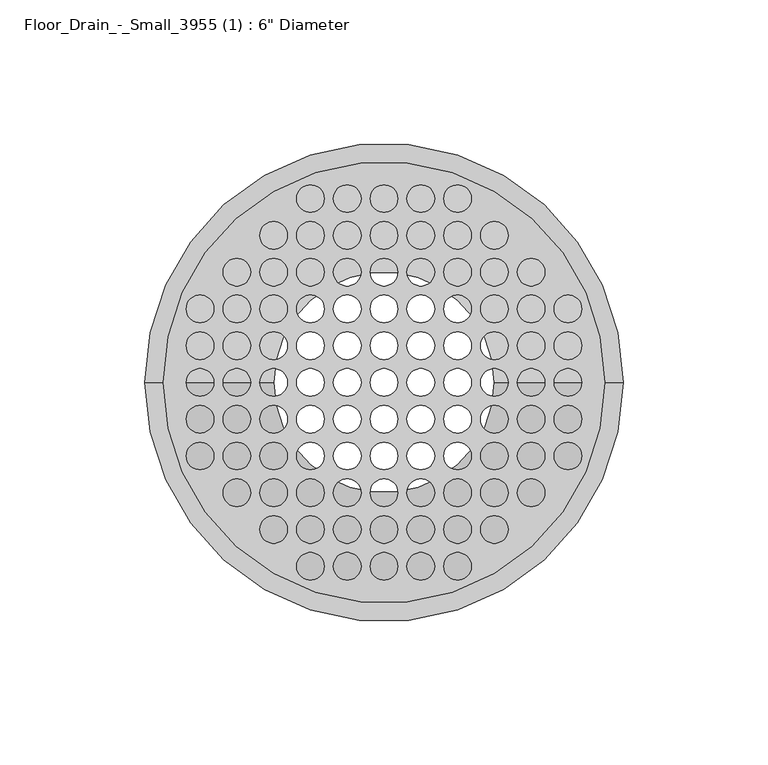
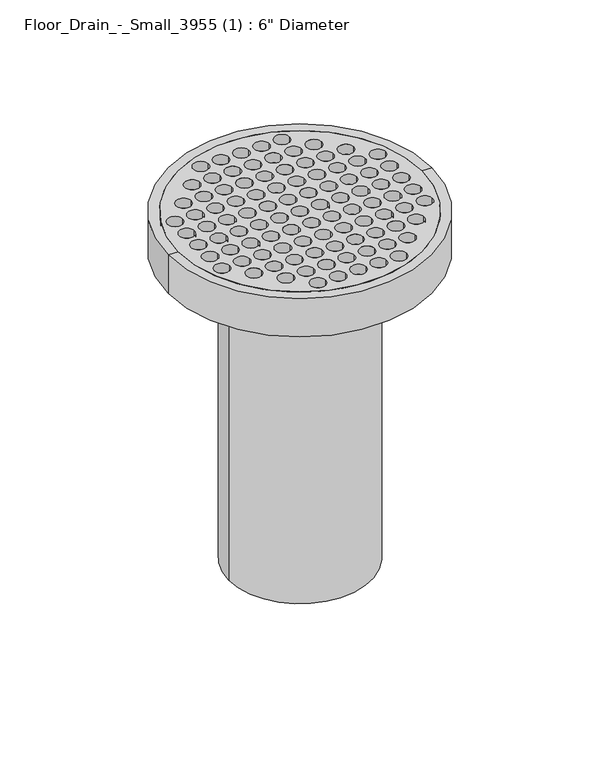
"""IFC4 building model written with IfcOpenShell, lengths in millimetres: flow terminal geometry."""

from ifc_helpers import new_model, si_unit, point, frame, frame_2d, origin, origin_2d, place, context, project, spatial, polyline, circle_curve, trimmed, segment, composite_curve, outline, extrude, source, transform, mapped, element, save
from ifc_brep_helpers import plane_surface, cylinder_surface, revolved_surface, advanced_brep


def flow_terminal_e6e22dbb(model_context):
    return source(origin(), model_context, "Body", "SolidModel", [
        extrude(outline(composite_curve([segment(trimmed(circle_curve(origin_2d(), 76.2), [point((76.2, 0.0))], [point((-76.2, 0.0))], False, "CARTESIAN"), True, "CONTINUOUS"), segment(trimmed(circle_curve(origin_2d(), 76.2), [point((-76.2, 0.0))], [point((76.2, 0.0))], False, "CARTESIAN"), True, "CONTINUOUS")], self_intersect=False), holes=[composite_curve([segment(trimmed(circle_curve(origin_2d(), 4.7625), [point((-4.7625, 0.0))], [point((4.7625, 0.0))], True, "CARTESIAN"), True, "CONTINUOUS"), segment(trimmed(circle_curve(origin_2d(), 4.7625), [point((4.7625, 0.0))], [point((-4.7625, 0.0))], True, "CARTESIAN"), True, "CONTINUOUS")], self_intersect=False), composite_curve([segment(trimmed(circle_curve(frame_2d((-12.7, 0.0)), 4.7625), [point((-17.4625, 0.0))], [point((-7.9375, 0.0))], True, "CARTESIAN"), True, "CONTINUOUS"), segment(trimmed(circle_curve(frame_2d((-12.7, 0.0)), 4.7625), [point((-7.9375, 0.0))], [point((-17.4625, 0.0))], True, "CARTESIAN"), True, "CONTINUOUS")], self_intersect=False), composite_curve([segment(trimmed(circle_curve(frame_2d((-25.4, 0.0)), 4.7625), [point((-30.1625, 0.0))], [point((-20.6375, 0.0))], True, "CARTESIAN"), True, "CONTINUOUS"), segment(trimmed(circle_curve(frame_2d((-25.4, 0.0)), 4.7625), [point((-20.6375, 0.0))], [point((-30.1625, 0.0))], True, "CARTESIAN"), True, "CONTINUOUS")], self_intersect=False), composite_curve([segment(trimmed(circle_curve(frame_2d((-38.1, 0.0)), 4.7625), [point((-42.8625, 0.0))], [point((-33.3375, 0.0))], True, "CARTESIAN"), True, "CONTINUOUS"), segment(trimmed(circle_curve(frame_2d((-38.1, 0.0)), 4.7625), [point((-33.3375, 0.0))], [point((-42.8625, 0.0))], True, "CARTESIAN"), True, "CONTINUOUS")], self_intersect=False), composite_curve([segment(trimmed(circle_curve(frame_2d((0.0, 12.7)), 4.7625), [point((-4.7625, 12.7))], [point((4.7625, 12.7))], True, "CARTESIAN"), True, "CONTINUOUS"), segment(trimmed(circle_curve(frame_2d((0.0, 12.7)), 4.7625), [point((4.7625, 12.7))], [point((-4.7625, 12.7))], True, "CARTESIAN"), True, "CONTINUOUS")], self_intersect=False), composite_curve([segment(trimmed(circle_curve(frame_2d((0.0, 25.4)), 4.7625), [point((-4.7625, 25.4))], [point((4.7625, 25.4))], True, "CARTESIAN"), True, "CONTINUOUS"), segment(trimmed(circle_curve(frame_2d((0.0, 25.4)), 4.7625), [point((4.7625, 25.4))], [point((-4.7625, 25.4))], True, "CARTESIAN"), True, "CONTINUOUS")], self_intersect=False), composite_curve([segment(trimmed(circle_curve(frame_2d((0.0, 38.1)), 4.7625), [point((-4.7625, 38.1))], [point((4.7625, 38.1))], True, "CARTESIAN"), True, "CONTINUOUS"), segment(trimmed(circle_curve(frame_2d((0.0, 38.1)), 4.7625), [point((4.7625, 38.1))], [point((-4.7625, 38.1))], True, "CARTESIAN"), True, "CONTINUOUS")], self_intersect=False), composite_curve([segment(trimmed(circle_curve(frame_2d((12.7, 0.0)), 4.7625), [point((7.9375, 0.0))], [point((17.4625, 0.0))], True, "CARTESIAN"), True, "CONTINUOUS"), segment(trimmed(circle_curve(frame_2d((12.7, 0.0)), 4.7625), [point((17.4625, 0.0))], [point((7.9375, 0.0))], True, "CARTESIAN"), True, "CONTINUOUS")], self_intersect=False), composite_curve([segment(trimmed(circle_curve(frame_2d((25.4, 0.0)), 4.7625), [point((20.6375, 0.0))], [point((30.1625, 0.0))], True, "CARTESIAN"), True, "CONTINUOUS"), segment(trimmed(circle_curve(frame_2d((25.4, 0.0)), 4.7625), [point((30.1625, 0.0))], [point((20.6375, 0.0))], True, "CARTESIAN"), True, "CONTINUOUS")], self_intersect=False), composite_curve([segment(trimmed(circle_curve(frame_2d((38.1, 0.0)), 4.7625), [point((33.3375, 0.0))], [point((42.8625, 0.0))], True, "CARTESIAN"), True, "CONTINUOUS"), segment(trimmed(circle_curve(frame_2d((38.1, 0.0)), 4.7625), [point((42.8625, 0.0))], [point((33.3375, 0.0))], True, "CARTESIAN"), True, "CONTINUOUS")], self_intersect=False), composite_curve([segment(trimmed(circle_curve(frame_2d((0.0, -12.7)), 4.7625), [point((-4.7625, -12.7))], [point((4.7625, -12.7))], True, "CARTESIAN"), True, "CONTINUOUS"), segment(trimmed(circle_curve(frame_2d((0.0, -12.7)), 4.7625), [point((4.7625, -12.7))], [point((-4.7625, -12.7))], True, "CARTESIAN"), True, "CONTINUOUS")], self_intersect=False), composite_curve([segment(trimmed(circle_curve(frame_2d((0.0, -25.4)), 4.7625), [point((-4.7625, -25.4))], [point((4.7625, -25.4))], True, "CARTESIAN"), True, "CONTINUOUS"), segment(trimmed(circle_curve(frame_2d((0.0, -25.4)), 4.7625), [point((4.7625, -25.4))], [point((-4.7625, -25.4))], True, "CARTESIAN"), True, "CONTINUOUS")], self_intersect=False), composite_curve([segment(trimmed(circle_curve(frame_2d((0.0, -38.1)), 4.7625), [point((-4.7625, -38.1))], [point((4.7625, -38.1))], True, "CARTESIAN"), True, "CONTINUOUS"), segment(trimmed(circle_curve(frame_2d((0.0, -38.1)), 4.7625), [point((4.7625, -38.1))], [point((-4.7625, -38.1))], True, "CARTESIAN"), True, "CONTINUOUS")], self_intersect=False), composite_curve([segment(trimmed(circle_curve(frame_2d((12.7, -12.7)), 4.7625), [point((7.9375, -12.7))], [point((17.4625, -12.7))], True, "CARTESIAN"), True, "CONTINUOUS"), segment(trimmed(circle_curve(frame_2d((12.7, -12.7)), 4.7625), [point((17.4625, -12.7))], [point((7.9375, -12.7))], True, "CARTESIAN"), True, "CONTINUOUS")], self_intersect=False), composite_curve([segment(trimmed(circle_curve(frame_2d((12.7, -25.4)), 4.7625), [point((7.9375, -25.4))], [point((17.4625, -25.4))], True, "CARTESIAN"), True, "CONTINUOUS"), segment(trimmed(circle_curve(frame_2d((12.7, -25.4)), 4.7625), [point((17.4625, -25.4))], [point((7.9375, -25.4))], True, "CARTESIAN"), True, "CONTINUOUS")], self_intersect=False), composite_curve([segment(trimmed(circle_curve(frame_2d((25.4, -12.7)), 4.7625), [point((20.6375, -12.7))], [point((30.1625, -12.7))], True, "CARTESIAN"), True, "CONTINUOUS"), segment(trimmed(circle_curve(frame_2d((25.4, -12.7)), 4.7625), [point((30.1625, -12.7))], [point((20.6375, -12.7))], True, "CARTESIAN"), True, "CONTINUOUS")], self_intersect=False), composite_curve([segment(trimmed(circle_curve(frame_2d((25.4, -25.4)), 4.7625), [point((20.6375, -25.4))], [point((30.1625, -25.4))], True, "CARTESIAN"), True, "CONTINUOUS"), segment(trimmed(circle_curve(frame_2d((25.4, -25.4)), 4.7625), [point((30.1625, -25.4))], [point((20.6375, -25.4))], True, "CARTESIAN"), True, "CONTINUOUS")], self_intersect=False), composite_curve([segment(trimmed(circle_curve(frame_2d((38.1, -12.7)), 4.7625), [point((33.3375, -12.7))], [point((42.8625, -12.7))], True, "CARTESIAN"), True, "CONTINUOUS"), segment(trimmed(circle_curve(frame_2d((38.1, -12.7)), 4.7625), [point((42.8625, -12.7))], [point((33.3375, -12.7))], True, "CARTESIAN"), True, "CONTINUOUS")], self_intersect=False), composite_curve([segment(trimmed(circle_curve(frame_2d((12.7, -38.1)), 4.7625), [point((7.9375, -38.1))], [point((17.4625, -38.1))], True, "CARTESIAN"), True, "CONTINUOUS"), segment(trimmed(circle_curve(frame_2d((12.7, -38.1)), 4.7625), [point((17.4625, -38.1))], [point((7.9375, -38.1))], True, "CARTESIAN"), True, "CONTINUOUS")], self_intersect=False), composite_curve([segment(trimmed(circle_curve(frame_2d((25.4, 12.7)), 4.7625), [point((20.6375, 12.7))], [point((30.1625, 12.7))], True, "CARTESIAN"), True, "CONTINUOUS"), segment(trimmed(circle_curve(frame_2d((25.4, 12.7)), 4.7625), [point((30.1625, 12.7))], [point((20.6375, 12.7))], True, "CARTESIAN"), True, "CONTINUOUS")], self_intersect=False), composite_curve([segment(trimmed(circle_curve(frame_2d((12.7, 12.7)), 4.7625), [point((7.9375, 12.7))], [point((17.4625, 12.7))], True, "CARTESIAN"), True, "CONTINUOUS"), segment(trimmed(circle_curve(frame_2d((12.7, 12.7)), 4.7625), [point((17.4625, 12.7))], [point((7.9375, 12.7))], True, "CARTESIAN"), True, "CONTINUOUS")], self_intersect=False), composite_curve([segment(trimmed(circle_curve(frame_2d((12.7, 25.4)), 4.7625), [point((7.9375, 25.4))], [point((17.4625, 25.4))], True, "CARTESIAN"), True, "CONTINUOUS"), segment(trimmed(circle_curve(frame_2d((12.7, 25.4)), 4.7625), [point((17.4625, 25.4))], [point((7.9375, 25.4))], True, "CARTESIAN"), True, "CONTINUOUS")], self_intersect=False), composite_curve([segment(trimmed(circle_curve(frame_2d((12.7, 38.1)), 4.7625), [point((7.9375, 38.1))], [point((17.4625, 38.1))], True, "CARTESIAN"), True, "CONTINUOUS"), segment(trimmed(circle_curve(frame_2d((12.7, 38.1)), 4.7625), [point((17.4625, 38.1))], [point((7.9375, 38.1))], True, "CARTESIAN"), True, "CONTINUOUS")], self_intersect=False), composite_curve([segment(trimmed(circle_curve(frame_2d((25.4, 25.4)), 4.7625), [point((20.6375, 25.4))], [point((30.1625, 25.4))], True, "CARTESIAN"), True, "CONTINUOUS"), segment(trimmed(circle_curve(frame_2d((25.4, 25.4)), 4.7625), [point((30.1625, 25.4))], [point((20.6375, 25.4))], True, "CARTESIAN"), True, "CONTINUOUS")], self_intersect=False), composite_curve([segment(trimmed(circle_curve(frame_2d((38.1, 12.7)), 4.7625), [point((33.3375, 12.7))], [point((42.8625, 12.7))], True, "CARTESIAN"), True, "CONTINUOUS"), segment(trimmed(circle_curve(frame_2d((38.1, 12.7)), 4.7625), [point((42.8625, 12.7))], [point((33.3375, 12.7))], True, "CARTESIAN"), True, "CONTINUOUS")], self_intersect=False), composite_curve([segment(trimmed(circle_curve(frame_2d((-12.7, 38.1)), 4.7625), [point((-17.4625, 38.1))], [point((-7.9375, 38.1))], True, "CARTESIAN"), True, "CONTINUOUS"), segment(trimmed(circle_curve(frame_2d((-12.7, 38.1)), 4.7625), [point((-7.9375, 38.1))], [point((-17.4625, 38.1))], True, "CARTESIAN"), True, "CONTINUOUS")], self_intersect=False), composite_curve([segment(trimmed(circle_curve(frame_2d((-12.7, 25.4)), 4.7625), [point((-17.4625, 25.4))], [point((-7.9375, 25.4))], True, "CARTESIAN"), True, "CONTINUOUS"), segment(trimmed(circle_curve(frame_2d((-12.7, 25.4)), 4.7625), [point((-7.9375, 25.4))], [point((-17.4625, 25.4))], True, "CARTESIAN"), True, "CONTINUOUS")], self_intersect=False), composite_curve([segment(trimmed(circle_curve(frame_2d((-12.7, 12.7)), 4.7625), [point((-17.4625, 12.7))], [point((-7.9375, 12.7))], True, "CARTESIAN"), True, "CONTINUOUS"), segment(trimmed(circle_curve(frame_2d((-12.7, 12.7)), 4.7625), [point((-7.9375, 12.7))], [point((-17.4625, 12.7))], True, "CARTESIAN"), True, "CONTINUOUS")], self_intersect=False), composite_curve([segment(trimmed(circle_curve(frame_2d((-25.4, 12.7)), 4.7625), [point((-30.1625, 12.7))], [point((-20.6375, 12.7))], True, "CARTESIAN"), True, "CONTINUOUS"), segment(trimmed(circle_curve(frame_2d((-25.4, 12.7)), 4.7625), [point((-20.6375, 12.7))], [point((-30.1625, 12.7))], True, "CARTESIAN"), True, "CONTINUOUS")], self_intersect=False), composite_curve([segment(trimmed(circle_curve(frame_2d((-25.4, 25.4)), 4.7625), [point((-30.1625, 25.4))], [point((-20.6375, 25.4))], True, "CARTESIAN"), True, "CONTINUOUS"), segment(trimmed(circle_curve(frame_2d((-25.4, 25.4)), 4.7625), [point((-20.6375, 25.4))], [point((-30.1625, 25.4))], True, "CARTESIAN"), True, "CONTINUOUS")], self_intersect=False), composite_curve([segment(trimmed(circle_curve(frame_2d((-38.1, 12.7)), 4.7625), [point((-42.8625, 12.7))], [point((-33.3375, 12.7))], True, "CARTESIAN"), True, "CONTINUOUS"), segment(trimmed(circle_curve(frame_2d((-38.1, 12.7)), 4.7625), [point((-33.3375, 12.7))], [point((-42.8625, 12.7))], True, "CARTESIAN"), True, "CONTINUOUS")], self_intersect=False), composite_curve([segment(trimmed(circle_curve(frame_2d((-25.4, -12.7)), 4.7625), [point((-30.1625, -12.7))], [point((-20.6375, -12.7))], True, "CARTESIAN"), True, "CONTINUOUS"), segment(trimmed(circle_curve(frame_2d((-25.4, -12.7)), 4.7625), [point((-20.6375, -12.7))], [point((-30.1625, -12.7))], True, "CARTESIAN"), True, "CONTINUOUS")], self_intersect=False), composite_curve([segment(trimmed(circle_curve(frame_2d((-12.7, -12.7)), 4.7625), [point((-17.4625, -12.7))], [point((-7.9375, -12.7))], True, "CARTESIAN"), True, "CONTINUOUS"), segment(trimmed(circle_curve(frame_2d((-12.7, -12.7)), 4.7625), [point((-7.9375, -12.7))], [point((-17.4625, -12.7))], True, "CARTESIAN"), True, "CONTINUOUS")], self_intersect=False), composite_curve([segment(trimmed(circle_curve(frame_2d((-12.7, -25.4)), 4.7625), [point((-17.4625, -25.4))], [point((-7.9375, -25.4))], True, "CARTESIAN"), True, "CONTINUOUS"), segment(trimmed(circle_curve(frame_2d((-12.7, -25.4)), 4.7625), [point((-7.9375, -25.4))], [point((-17.4625, -25.4))], True, "CARTESIAN"), True, "CONTINUOUS")], self_intersect=False), composite_curve([segment(trimmed(circle_curve(frame_2d((-12.7, -38.1)), 4.7625), [point((-17.4625, -38.1))], [point((-7.9375, -38.1))], True, "CARTESIAN"), True, "CONTINUOUS"), segment(trimmed(circle_curve(frame_2d((-12.7, -38.1)), 4.7625), [point((-7.9375, -38.1))], [point((-17.4625, -38.1))], True, "CARTESIAN"), True, "CONTINUOUS")], self_intersect=False), composite_curve([segment(trimmed(circle_curve(frame_2d((-25.4, -25.4)), 4.7625), [point((-30.1625, -25.4))], [point((-20.6375, -25.4))], True, "CARTESIAN"), True, "CONTINUOUS"), segment(trimmed(circle_curve(frame_2d((-25.4, -25.4)), 4.7625), [point((-20.6375, -25.4))], [point((-30.1625, -25.4))], True, "CARTESIAN"), True, "CONTINUOUS")], self_intersect=False), composite_curve([segment(trimmed(circle_curve(frame_2d((-38.1, -12.7)), 4.7625), [point((-42.8625, -12.7))], [point((-33.3375, -12.7))], True, "CARTESIAN"), True, "CONTINUOUS"), segment(trimmed(circle_curve(frame_2d((-38.1, -12.7)), 4.7625), [point((-33.3375, -12.7))], [point((-42.8625, -12.7))], True, "CARTESIAN"), True, "CONTINUOUS")], self_intersect=False), composite_curve([segment(trimmed(circle_curve(frame_2d((-25.4, 38.1)), 4.7625), [point((-30.1625, 38.1))], [point((-20.6375, 38.1))], True, "CARTESIAN"), True, "CONTINUOUS"), segment(trimmed(circle_curve(frame_2d((-25.4, 38.1)), 4.7625), [point((-20.6375, 38.1))], [point((-30.1625, 38.1))], True, "CARTESIAN"), True, "CONTINUOUS")], self_intersect=False), composite_curve([segment(trimmed(circle_curve(frame_2d((-38.1, 38.1)), 4.7625), [point((-42.8625, 38.1))], [point((-33.3375, 38.1))], True, "CARTESIAN"), True, "CONTINUOUS"), segment(trimmed(circle_curve(frame_2d((-38.1, 38.1)), 4.7625), [point((-33.3375, 38.1))], [point((-42.8625, 38.1))], True, "CARTESIAN"), True, "CONTINUOUS")], self_intersect=False), composite_curve([segment(trimmed(circle_curve(frame_2d((-50.8, 38.1)), 4.7625), [point((-55.5625, 38.1))], [point((-46.0375, 38.1))], True, "CARTESIAN"), True, "CONTINUOUS"), segment(trimmed(circle_curve(frame_2d((-50.8, 38.1)), 4.7625), [point((-46.0375, 38.1))], [point((-55.5625, 38.1))], True, "CARTESIAN"), True, "CONTINUOUS")], self_intersect=False), composite_curve([segment(trimmed(circle_curve(frame_2d((25.4, 38.1)), 4.7625), [point((20.6375, 38.1))], [point((30.1625, 38.1))], True, "CARTESIAN"), True, "CONTINUOUS"), segment(trimmed(circle_curve(frame_2d((25.4, 38.1)), 4.7625), [point((30.1625, 38.1))], [point((20.6375, 38.1))], True, "CARTESIAN"), True, "CONTINUOUS")], self_intersect=False), composite_curve([segment(trimmed(circle_curve(frame_2d((38.1, 38.1)), 4.7625), [point((33.3375, 38.1))], [point((42.8625, 38.1))], True, "CARTESIAN"), True, "CONTINUOUS"), segment(trimmed(circle_curve(frame_2d((38.1, 38.1)), 4.7625), [point((42.8625, 38.1))], [point((33.3375, 38.1))], True, "CARTESIAN"), True, "CONTINUOUS")], self_intersect=False), composite_curve([segment(trimmed(circle_curve(frame_2d((50.8, 38.1)), 4.7625), [point((46.0375, 38.1))], [point((55.5625, 38.1))], True, "CARTESIAN"), True, "CONTINUOUS"), segment(trimmed(circle_curve(frame_2d((50.8, 38.1)), 4.7625), [point((55.5625, 38.1))], [point((46.0375, 38.1))], True, "CARTESIAN"), True, "CONTINUOUS")], self_intersect=False), composite_curve([segment(trimmed(circle_curve(frame_2d((-38.1, 25.4)), 4.7625), [point((-42.8625, 25.4))], [point((-33.3375, 25.4))], True, "CARTESIAN"), True, "CONTINUOUS"), segment(trimmed(circle_curve(frame_2d((-38.1, 25.4)), 4.7625), [point((-33.3375, 25.4))], [point((-42.8625, 25.4))], True, "CARTESIAN"), True, "CONTINUOUS")], self_intersect=False), composite_curve([segment(trimmed(circle_curve(frame_2d((-50.8, 25.4)), 4.7625), [point((-55.5625, 25.4))], [point((-46.0375, 25.4))], True, "CARTESIAN"), True, "CONTINUOUS"), segment(trimmed(circle_curve(frame_2d((-50.8, 25.4)), 4.7625), [point((-46.0375, 25.4))], [point((-55.5625, 25.4))], True, "CARTESIAN"), True, "CONTINUOUS")], self_intersect=False), composite_curve([segment(trimmed(circle_curve(frame_2d((-63.5, 25.4)), 4.7625), [point((-68.2625, 25.4))], [point((-58.7375, 25.4))], True, "CARTESIAN"), True, "CONTINUOUS"), segment(trimmed(circle_curve(frame_2d((-63.5, 25.4)), 4.7625), [point((-58.7375, 25.4))], [point((-68.2625, 25.4))], True, "CARTESIAN"), True, "CONTINUOUS")], self_intersect=False), composite_curve([segment(trimmed(circle_curve(frame_2d((-50.8, 12.7)), 4.7625), [point((-55.5625, 12.7))], [point((-46.0375, 12.7))], True, "CARTESIAN"), True, "CONTINUOUS"), segment(trimmed(circle_curve(frame_2d((-50.8, 12.7)), 4.7625), [point((-46.0375, 12.7))], [point((-55.5625, 12.7))], True, "CARTESIAN"), True, "CONTINUOUS")], self_intersect=False), composite_curve([segment(trimmed(circle_curve(frame_2d((-63.5, 12.7)), 4.7625), [point((-68.2625, 12.7))], [point((-58.7375, 12.7))], True, "CARTESIAN"), True, "CONTINUOUS"), segment(trimmed(circle_curve(frame_2d((-63.5, 12.7)), 4.7625), [point((-58.7375, 12.7))], [point((-68.2625, 12.7))], True, "CARTESIAN"), True, "CONTINUOUS")], self_intersect=False), composite_curve([segment(trimmed(circle_curve(frame_2d((-50.8, 0.0)), 4.7625), [point((-55.5625, 0.0))], [point((-46.0375, 0.0))], True, "CARTESIAN"), True, "CONTINUOUS"), segment(trimmed(circle_curve(frame_2d((-50.8, 0.0)), 4.7625), [point((-46.0375, 0.0))], [point((-55.5625, 0.0))], True, "CARTESIAN"), True, "CONTINUOUS")], self_intersect=False), composite_curve([segment(trimmed(circle_curve(frame_2d((-63.5, 0.0)), 4.7625), [point((-68.2625, 0.0))], [point((-58.7375, 0.0))], True, "CARTESIAN"), True, "CONTINUOUS"), segment(trimmed(circle_curve(frame_2d((-63.5, 0.0)), 4.7625), [point((-58.7375, 0.0))], [point((-68.2625, 0.0))], True, "CARTESIAN"), True, "CONTINUOUS")], self_intersect=False), composite_curve([segment(trimmed(circle_curve(frame_2d((-63.5, -12.7)), 4.7625), [point((-68.2625, -12.7))], [point((-58.7375, -12.7))], True, "CARTESIAN"), True, "CONTINUOUS"), segment(trimmed(circle_curve(frame_2d((-63.5, -12.7)), 4.7625), [point((-58.7375, -12.7))], [point((-68.2625, -12.7))], True, "CARTESIAN"), True, "CONTINUOUS")], self_intersect=False), composite_curve([segment(trimmed(circle_curve(frame_2d((-50.8, -12.7)), 4.7625), [point((-55.5625, -12.7))], [point((-46.0375, -12.7))], True, "CARTESIAN"), True, "CONTINUOUS"), segment(trimmed(circle_curve(frame_2d((-50.8, -12.7)), 4.7625), [point((-46.0375, -12.7))], [point((-55.5625, -12.7))], True, "CARTESIAN"), True, "CONTINUOUS")], self_intersect=False), composite_curve([segment(trimmed(circle_curve(frame_2d((-63.5, -25.4)), 4.7625), [point((-68.2625, -25.4))], [point((-58.7375, -25.4))], True, "CARTESIAN"), True, "CONTINUOUS"), segment(trimmed(circle_curve(frame_2d((-63.5, -25.4)), 4.7625), [point((-58.7375, -25.4))], [point((-68.2625, -25.4))], True, "CARTESIAN"), True, "CONTINUOUS")], self_intersect=False), composite_curve([segment(trimmed(circle_curve(frame_2d((-50.8, -25.4)), 4.7625), [point((-55.5625, -25.4))], [point((-46.0375, -25.4))], True, "CARTESIAN"), True, "CONTINUOUS"), segment(trimmed(circle_curve(frame_2d((-50.8, -25.4)), 4.7625), [point((-46.0375, -25.4))], [point((-55.5625, -25.4))], True, "CARTESIAN"), True, "CONTINUOUS")], self_intersect=False), composite_curve([segment(trimmed(circle_curve(frame_2d((-38.1, -25.4)), 4.7625), [point((-42.8625, -25.4))], [point((-33.3375, -25.4))], True, "CARTESIAN"), True, "CONTINUOUS"), segment(trimmed(circle_curve(frame_2d((-38.1, -25.4)), 4.7625), [point((-33.3375, -25.4))], [point((-42.8625, -25.4))], True, "CARTESIAN"), True, "CONTINUOUS")], self_intersect=False), composite_curve([segment(trimmed(circle_curve(frame_2d((-50.8, -38.1)), 4.7625), [point((-55.5625, -38.1))], [point((-46.0375, -38.1))], True, "CARTESIAN"), True, "CONTINUOUS"), segment(trimmed(circle_curve(frame_2d((-50.8, -38.1)), 4.7625), [point((-46.0375, -38.1))], [point((-55.5625, -38.1))], True, "CARTESIAN"), True, "CONTINUOUS")], self_intersect=False), composite_curve([segment(trimmed(circle_curve(frame_2d((-38.1, -38.1)), 4.7625), [point((-42.8625, -38.1))], [point((-33.3375, -38.1))], True, "CARTESIAN"), True, "CONTINUOUS"), segment(trimmed(circle_curve(frame_2d((-38.1, -38.1)), 4.7625), [point((-33.3375, -38.1))], [point((-42.8625, -38.1))], True, "CARTESIAN"), True, "CONTINUOUS")], self_intersect=False), composite_curve([segment(trimmed(circle_curve(frame_2d((-25.4, -38.1)), 4.7625), [point((-30.1625, -38.1))], [point((-20.6375, -38.1))], True, "CARTESIAN"), True, "CONTINUOUS"), segment(trimmed(circle_curve(frame_2d((-25.4, -38.1)), 4.7625), [point((-20.6375, -38.1))], [point((-30.1625, -38.1))], True, "CARTESIAN"), True, "CONTINUOUS")], self_intersect=False), composite_curve([segment(trimmed(circle_curve(frame_2d((-25.4, -50.8)), 4.7625), [point((-30.1625, -50.8))], [point((-20.6375, -50.8))], True, "CARTESIAN"), True, "CONTINUOUS"), segment(trimmed(circle_curve(frame_2d((-25.4, -50.8)), 4.7625), [point((-20.6375, -50.8))], [point((-30.1625, -50.8))], True, "CARTESIAN"), True, "CONTINUOUS")], self_intersect=False), composite_curve([segment(trimmed(circle_curve(frame_2d((-38.1, -50.8)), 4.7625), [point((-42.8625, -50.8))], [point((-33.3375, -50.8))], True, "CARTESIAN"), True, "CONTINUOUS"), segment(trimmed(circle_curve(frame_2d((-38.1, -50.8)), 4.7625), [point((-33.3375, -50.8))], [point((-42.8625, -50.8))], True, "CARTESIAN"), True, "CONTINUOUS")], self_intersect=False), composite_curve([segment(trimmed(circle_curve(frame_2d((-25.4, -63.5)), 4.7625), [point((-30.1625, -63.5))], [point((-20.6375, -63.5))], True, "CARTESIAN"), True, "CONTINUOUS"), segment(trimmed(circle_curve(frame_2d((-25.4, -63.5)), 4.7625), [point((-20.6375, -63.5))], [point((-30.1625, -63.5))], True, "CARTESIAN"), True, "CONTINUOUS")], self_intersect=False), composite_curve([segment(trimmed(circle_curve(frame_2d((-12.7, -63.5)), 4.7625), [point((-17.4625, -63.5))], [point((-7.9375, -63.5))], True, "CARTESIAN"), True, "CONTINUOUS"), segment(trimmed(circle_curve(frame_2d((-12.7, -63.5)), 4.7625), [point((-7.9375, -63.5))], [point((-17.4625, -63.5))], True, "CARTESIAN"), True, "CONTINUOUS")], self_intersect=False), composite_curve([segment(trimmed(circle_curve(frame_2d((0.0, -63.5)), 4.7625), [point((-4.7625, -63.5))], [point((4.7625, -63.5))], True, "CARTESIAN"), True, "CONTINUOUS"), segment(trimmed(circle_curve(frame_2d((0.0, -63.5)), 4.7625), [point((4.7625, -63.5))], [point((-4.7625, -63.5))], True, "CARTESIAN"), True, "CONTINUOUS")], self_intersect=False), composite_curve([segment(trimmed(circle_curve(frame_2d((12.7, -63.5)), 4.7625), [point((7.9375, -63.5))], [point((17.4625, -63.5))], True, "CARTESIAN"), True, "CONTINUOUS"), segment(trimmed(circle_curve(frame_2d((12.7, -63.5)), 4.7625), [point((17.4625, -63.5))], [point((7.9375, -63.5))], True, "CARTESIAN"), True, "CONTINUOUS")], self_intersect=False), composite_curve([segment(trimmed(circle_curve(frame_2d((25.4, -63.5)), 4.7625), [point((20.6375, -63.5))], [point((30.1625, -63.5))], True, "CARTESIAN"), True, "CONTINUOUS"), segment(trimmed(circle_curve(frame_2d((25.4, -63.5)), 4.7625), [point((30.1625, -63.5))], [point((20.6375, -63.5))], True, "CARTESIAN"), True, "CONTINUOUS")], self_intersect=False), composite_curve([segment(trimmed(circle_curve(frame_2d((25.4, -50.8)), 4.7625), [point((20.6375, -50.8))], [point((30.1625, -50.8))], True, "CARTESIAN"), True, "CONTINUOUS"), segment(trimmed(circle_curve(frame_2d((25.4, -50.8)), 4.7625), [point((30.1625, -50.8))], [point((20.6375, -50.8))], True, "CARTESIAN"), True, "CONTINUOUS")], self_intersect=False), composite_curve([segment(trimmed(circle_curve(frame_2d((12.7, -50.8)), 4.7625), [point((7.9375, -50.8))], [point((17.4625, -50.8))], True, "CARTESIAN"), True, "CONTINUOUS"), segment(trimmed(circle_curve(frame_2d((12.7, -50.8)), 4.7625), [point((17.4625, -50.8))], [point((7.9375, -50.8))], True, "CARTESIAN"), True, "CONTINUOUS")], self_intersect=False), composite_curve([segment(trimmed(circle_curve(frame_2d((0.0, -50.8)), 4.7625), [point((-4.7625, -50.8))], [point((4.7625, -50.8))], True, "CARTESIAN"), True, "CONTINUOUS"), segment(trimmed(circle_curve(frame_2d((0.0, -50.8)), 4.7625), [point((4.7625, -50.8))], [point((-4.7625, -50.8))], True, "CARTESIAN"), True, "CONTINUOUS")], self_intersect=False), composite_curve([segment(trimmed(circle_curve(frame_2d((-12.7, -50.8)), 4.7625), [point((-17.4625, -50.8))], [point((-7.9375, -50.8))], True, "CARTESIAN"), True, "CONTINUOUS"), segment(trimmed(circle_curve(frame_2d((-12.7, -50.8)), 4.7625), [point((-7.9375, -50.8))], [point((-17.4625, -50.8))], True, "CARTESIAN"), True, "CONTINUOUS")], self_intersect=False), composite_curve([segment(trimmed(circle_curve(frame_2d((38.1, -50.8)), 4.7625), [point((33.3375, -50.8))], [point((42.8625, -50.8))], True, "CARTESIAN"), True, "CONTINUOUS"), segment(trimmed(circle_curve(frame_2d((38.1, -50.8)), 4.7625), [point((42.8625, -50.8))], [point((33.3375, -50.8))], True, "CARTESIAN"), True, "CONTINUOUS")], self_intersect=False), composite_curve([segment(trimmed(circle_curve(frame_2d((25.4, -38.1)), 4.7625), [point((20.6375, -38.1))], [point((30.1625, -38.1))], True, "CARTESIAN"), True, "CONTINUOUS"), segment(trimmed(circle_curve(frame_2d((25.4, -38.1)), 4.7625), [point((30.1625, -38.1))], [point((20.6375, -38.1))], True, "CARTESIAN"), True, "CONTINUOUS")], self_intersect=False), composite_curve([segment(trimmed(circle_curve(frame_2d((38.1, -38.1)), 4.7625), [point((33.3375, -38.1))], [point((42.8625, -38.1))], True, "CARTESIAN"), True, "CONTINUOUS"), segment(trimmed(circle_curve(frame_2d((38.1, -38.1)), 4.7625), [point((42.8625, -38.1))], [point((33.3375, -38.1))], True, "CARTESIAN"), True, "CONTINUOUS")], self_intersect=False), composite_curve([segment(trimmed(circle_curve(frame_2d((50.8, -38.1)), 4.7625), [point((46.0375, -38.1))], [point((55.5625, -38.1))], True, "CARTESIAN"), True, "CONTINUOUS"), segment(trimmed(circle_curve(frame_2d((50.8, -38.1)), 4.7625), [point((55.5625, -38.1))], [point((46.0375, -38.1))], True, "CARTESIAN"), True, "CONTINUOUS")], self_intersect=False), composite_curve([segment(trimmed(circle_curve(frame_2d((50.8, -25.4)), 4.7625), [point((46.0375, -25.4))], [point((55.5625, -25.4))], True, "CARTESIAN"), True, "CONTINUOUS"), segment(trimmed(circle_curve(frame_2d((50.8, -25.4)), 4.7625), [point((55.5625, -25.4))], [point((46.0375, -25.4))], True, "CARTESIAN"), True, "CONTINUOUS")], self_intersect=False), composite_curve([segment(trimmed(circle_curve(frame_2d((38.1, -25.4)), 4.7625), [point((33.3375, -25.4))], [point((42.8625, -25.4))], True, "CARTESIAN"), True, "CONTINUOUS"), segment(trimmed(circle_curve(frame_2d((38.1, -25.4)), 4.7625), [point((42.8625, -25.4))], [point((33.3375, -25.4))], True, "CARTESIAN"), True, "CONTINUOUS")], self_intersect=False), composite_curve([segment(trimmed(circle_curve(frame_2d((63.5, -25.4)), 4.7625), [point((58.7375, -25.4))], [point((68.2625, -25.4))], True, "CARTESIAN"), True, "CONTINUOUS"), segment(trimmed(circle_curve(frame_2d((63.5, -25.4)), 4.7625), [point((68.2625, -25.4))], [point((58.7375, -25.4))], True, "CARTESIAN"), True, "CONTINUOUS")], self_intersect=False), composite_curve([segment(trimmed(circle_curve(frame_2d((63.5, -12.7)), 4.7625), [point((58.7375, -12.7))], [point((68.2625, -12.7))], True, "CARTESIAN"), True, "CONTINUOUS"), segment(trimmed(circle_curve(frame_2d((63.5, -12.7)), 4.7625), [point((68.2625, -12.7))], [point((58.7375, -12.7))], True, "CARTESIAN"), True, "CONTINUOUS")], self_intersect=False), composite_curve([segment(trimmed(circle_curve(frame_2d((50.8, -12.7)), 4.7625), [point((46.0375, -12.7))], [point((55.5625, -12.7))], True, "CARTESIAN"), True, "CONTINUOUS"), segment(trimmed(circle_curve(frame_2d((50.8, -12.7)), 4.7625), [point((55.5625, -12.7))], [point((46.0375, -12.7))], True, "CARTESIAN"), True, "CONTINUOUS")], self_intersect=False), composite_curve([segment(trimmed(circle_curve(frame_2d((50.8, 0.0)), 4.7625), [point((46.0375, 0.0))], [point((55.5625, 0.0))], True, "CARTESIAN"), True, "CONTINUOUS"), segment(trimmed(circle_curve(frame_2d((50.8, 0.0)), 4.7625), [point((55.5625, 0.0))], [point((46.0375, 0.0))], True, "CARTESIAN"), True, "CONTINUOUS")], self_intersect=False), composite_curve([segment(trimmed(circle_curve(frame_2d((63.5, 0.0)), 4.7625), [point((58.7375, 0.0))], [point((68.2625, 0.0))], True, "CARTESIAN"), True, "CONTINUOUS"), segment(trimmed(circle_curve(frame_2d((63.5, 0.0)), 4.7625), [point((68.2625, 0.0))], [point((58.7375, 0.0))], True, "CARTESIAN"), True, "CONTINUOUS")], self_intersect=False), composite_curve([segment(trimmed(circle_curve(frame_2d((63.5, 12.7)), 4.7625), [point((58.7375, 12.7))], [point((68.2625, 12.7))], True, "CARTESIAN"), True, "CONTINUOUS"), segment(trimmed(circle_curve(frame_2d((63.5, 12.7)), 4.7625), [point((68.2625, 12.7))], [point((58.7375, 12.7))], True, "CARTESIAN"), True, "CONTINUOUS")], self_intersect=False), composite_curve([segment(trimmed(circle_curve(frame_2d((50.8, 12.7)), 4.7625), [point((46.0375, 12.7))], [point((55.5625, 12.7))], True, "CARTESIAN"), True, "CONTINUOUS"), segment(trimmed(circle_curve(frame_2d((50.8, 12.7)), 4.7625), [point((55.5625, 12.7))], [point((46.0375, 12.7))], True, "CARTESIAN"), True, "CONTINUOUS")], self_intersect=False), composite_curve([segment(trimmed(circle_curve(frame_2d((50.8, 25.4)), 4.7625), [point((46.0375, 25.4))], [point((55.5625, 25.4))], True, "CARTESIAN"), True, "CONTINUOUS"), segment(trimmed(circle_curve(frame_2d((50.8, 25.4)), 4.7625), [point((55.5625, 25.4))], [point((46.0375, 25.4))], True, "CARTESIAN"), True, "CONTINUOUS")], self_intersect=False), composite_curve([segment(trimmed(circle_curve(frame_2d((63.5, 25.4)), 4.7625), [point((58.7375, 25.4))], [point((68.2625, 25.4))], True, "CARTESIAN"), True, "CONTINUOUS"), segment(trimmed(circle_curve(frame_2d((63.5, 25.4)), 4.7625), [point((68.2625, 25.4))], [point((58.7375, 25.4))], True, "CARTESIAN"), True, "CONTINUOUS")], self_intersect=False), composite_curve([segment(trimmed(circle_curve(frame_2d((38.1, 25.4)), 4.7625), [point((33.3375, 25.4))], [point((42.8625, 25.4))], True, "CARTESIAN"), True, "CONTINUOUS"), segment(trimmed(circle_curve(frame_2d((38.1, 25.4)), 4.7625), [point((42.8625, 25.4))], [point((33.3375, 25.4))], True, "CARTESIAN"), True, "CONTINUOUS")], self_intersect=False), composite_curve([segment(trimmed(circle_curve(frame_2d((38.1, 50.8)), 4.7625), [point((33.3375, 50.8))], [point((42.8625, 50.8))], True, "CARTESIAN"), True, "CONTINUOUS"), segment(trimmed(circle_curve(frame_2d((38.1, 50.8)), 4.7625), [point((42.8625, 50.8))], [point((33.3375, 50.8))], True, "CARTESIAN"), True, "CONTINUOUS")], self_intersect=False), composite_curve([segment(trimmed(circle_curve(frame_2d((25.4, 50.8)), 4.7625), [point((20.6375, 50.8))], [point((30.1625, 50.8))], True, "CARTESIAN"), True, "CONTINUOUS"), segment(trimmed(circle_curve(frame_2d((25.4, 50.8)), 4.7625), [point((30.1625, 50.8))], [point((20.6375, 50.8))], True, "CARTESIAN"), True, "CONTINUOUS")], self_intersect=False), composite_curve([segment(trimmed(circle_curve(frame_2d((12.7, 50.8)), 4.7625), [point((7.9375, 50.8))], [point((17.4625, 50.8))], True, "CARTESIAN"), True, "CONTINUOUS"), segment(trimmed(circle_curve(frame_2d((12.7, 50.8)), 4.7625), [point((17.4625, 50.8))], [point((7.9375, 50.8))], True, "CARTESIAN"), True, "CONTINUOUS")], self_intersect=False), composite_curve([segment(trimmed(circle_curve(frame_2d((0.0, 50.8)), 4.7625), [point((-4.7625, 50.8))], [point((4.7625, 50.8))], True, "CARTESIAN"), True, "CONTINUOUS"), segment(trimmed(circle_curve(frame_2d((0.0, 50.8)), 4.7625), [point((4.7625, 50.8))], [point((-4.7625, 50.8))], True, "CARTESIAN"), True, "CONTINUOUS")], self_intersect=False), composite_curve([segment(trimmed(circle_curve(frame_2d((-12.7, 50.8)), 4.7625), [point((-17.4625, 50.8))], [point((-7.9375, 50.8))], True, "CARTESIAN"), True, "CONTINUOUS"), segment(trimmed(circle_curve(frame_2d((-12.7, 50.8)), 4.7625), [point((-7.9375, 50.8))], [point((-17.4625, 50.8))], True, "CARTESIAN"), True, "CONTINUOUS")], self_intersect=False), composite_curve([segment(trimmed(circle_curve(frame_2d((-25.4, 50.8)), 4.7625), [point((-30.1625, 50.8))], [point((-20.6375, 50.8))], True, "CARTESIAN"), True, "CONTINUOUS"), segment(trimmed(circle_curve(frame_2d((-25.4, 50.8)), 4.7625), [point((-20.6375, 50.8))], [point((-30.1625, 50.8))], True, "CARTESIAN"), True, "CONTINUOUS")], self_intersect=False), composite_curve([segment(trimmed(circle_curve(frame_2d((-38.1, 50.8)), 4.7625), [point((-42.8625, 50.8))], [point((-33.3375, 50.8))], True, "CARTESIAN"), True, "CONTINUOUS"), segment(trimmed(circle_curve(frame_2d((-38.1, 50.8)), 4.7625), [point((-33.3375, 50.8))], [point((-42.8625, 50.8))], True, "CARTESIAN"), True, "CONTINUOUS")], self_intersect=False), composite_curve([segment(trimmed(circle_curve(frame_2d((-25.4, 63.5)), 4.7625), [point((-30.1625, 63.5))], [point((-20.6375, 63.5))], True, "CARTESIAN"), True, "CONTINUOUS"), segment(trimmed(circle_curve(frame_2d((-25.4, 63.5)), 4.7625), [point((-20.6375, 63.5))], [point((-30.1625, 63.5))], True, "CARTESIAN"), True, "CONTINUOUS")], self_intersect=False), composite_curve([segment(trimmed(circle_curve(frame_2d((-12.7, 63.5)), 4.7625), [point((-17.4625, 63.5))], [point((-7.9375, 63.5))], True, "CARTESIAN"), True, "CONTINUOUS"), segment(trimmed(circle_curve(frame_2d((-12.7, 63.5)), 4.7625), [point((-7.9375, 63.5))], [point((-17.4625, 63.5))], True, "CARTESIAN"), True, "CONTINUOUS")], self_intersect=False), composite_curve([segment(trimmed(circle_curve(frame_2d((0.0, 63.5)), 4.7625), [point((-4.7625, 63.5))], [point((4.7625, 63.5))], True, "CARTESIAN"), True, "CONTINUOUS"), segment(trimmed(circle_curve(frame_2d((0.0, 63.5)), 4.7625), [point((4.7625, 63.5))], [point((-4.7625, 63.5))], True, "CARTESIAN"), True, "CONTINUOUS")], self_intersect=False), composite_curve([segment(trimmed(circle_curve(frame_2d((12.7, 63.5)), 4.7625), [point((7.9375, 63.5))], [point((17.4625, 63.5))], True, "CARTESIAN"), True, "CONTINUOUS"), segment(trimmed(circle_curve(frame_2d((12.7, 63.5)), 4.7625), [point((17.4625, 63.5))], [point((7.9375, 63.5))], True, "CARTESIAN"), True, "CONTINUOUS")], self_intersect=False), composite_curve([segment(trimmed(circle_curve(frame_2d((25.4, 63.5)), 4.7625), [point((20.6375, 63.5))], [point((30.1625, 63.5))], True, "CARTESIAN"), True, "CONTINUOUS"), segment(trimmed(circle_curve(frame_2d((25.4, 63.5)), 4.7625), [point((30.1625, 63.5))], [point((20.6375, 63.5))], True, "CARTESIAN"), True, "CONTINUOUS")], self_intersect=False)]), frame((0.0, 0.0, -6.35), z_axis=(0.0, 0.0, 1.0), x_axis=(1.0, 0.0, 0.0)), (0.0, 0.0, 1.0), 6.35),
        advanced_brep(
        [(82.55, 0.0, -25.4), (-82.55, 0.0, -25.4), (-82.55, 0.0, 0.0), (82.55, 0.0, 0.0), (44.45, 0.0, -50.8), (-44.45, 0.0, -50.8), (44.45, 0.0, -228.6), (-44.45, 0.0, -228.6), (38.1, 0.0, -228.6), (-38.1, 0.0, -228.6), (38.1, 0.0, -47.4015831), (-38.1, 0.0, -47.4015831), (76.2, 0.0, -22.0015831), (-76.2, 0.0, -22.0015831), (76.2, 0.0, 0.0), (-76.2, 0.0, 0.0)],
        [
            (0, 1, circle_curve(frame((0.0, 0.0, -25.4), z_axis=(0.0, 0.0, 1.0), x_axis=(-1.0, 0.0, 0.0)), 82.55)),
            (1, 2),
            (2, 3, circle_curve(frame((0.0, 0.0, 0.0), z_axis=(0.0, 0.0, -1.0), x_axis=(-1.0, 0.0, 0.0)), 82.55)),
            (3, 0),
            (1, 0, circle_curve(frame((0.0, 0.0, -25.4), z_axis=(0.0, 0.0, 1.0), x_axis=(-1.0, 0.0, 0.0)), 82.55)),
            (3, 2, circle_curve(frame((0.0, 0.0, 0.0), z_axis=(0.0, 0.0, -1.0), x_axis=(-1.0, 0.0, 0.0)), 82.55)),
            (4, 5, circle_curve(frame((0.0, 0.0, -50.8), z_axis=(0.0, 0.0, 1.0), x_axis=(-1.0, 0.0, 0.0)), 44.45)),
            (5, 1),
            (0, 4),
            (5, 4, circle_curve(frame((0.0, 0.0, -50.8), z_axis=(0.0, 0.0, 1.0), x_axis=(-1.0, 0.0, 0.0)), 44.45)),
            (6, 7, circle_curve(frame((0.0, 0.0, -228.6), z_axis=(0.0, 0.0, 1.0), x_axis=(-1.0, 0.0, 0.0)), 44.45)),
            (7, 5),
            (4, 6),
            (7, 6, circle_curve(frame((0.0, 0.0, -228.6), z_axis=(0.0, 0.0, 1.0), x_axis=(-1.0, 0.0, 0.0)), 44.45)),
            (8, 9, circle_curve(frame((0.0, 0.0, -228.6), z_axis=(0.0, 0.0, 1.0), x_axis=(-1.0, 0.0, 0.0)), 38.1)),
            (9, 7),
            (6, 8),
            (9, 8, circle_curve(frame((0.0, 0.0, -228.6), z_axis=(0.0, 0.0, 1.0), x_axis=(-1.0, 0.0, 0.0)), 38.1)),
            (10, 11, circle_curve(frame((0.0, 0.0, -47.4015831), z_axis=(0.0, 0.0, 1.0), x_axis=(-1.0, 0.0, 0.0)), 38.1)),
            (11, 9),
            (8, 10),
            (11, 10, circle_curve(frame((0.0, 0.0, -47.4015831), z_axis=(0.0, 0.0, 1.0), x_axis=(-1.0, 0.0, 0.0)), 38.1)),
            (12, 13, circle_curve(frame((0.0, 0.0, -22.0015831), z_axis=(0.0, 0.0, 1.0), x_axis=(-1.0, 0.0, 0.0)), 76.2)),
            (13, 11),
            (10, 12),
            (13, 12, circle_curve(frame((0.0, 0.0, -22.0015831), z_axis=(0.0, 0.0, 1.0), x_axis=(-1.0, 0.0, 0.0)), 76.2)),
            (14, 15, circle_curve(frame((0.0, 0.0, 0.0), z_axis=(0.0, 0.0, 1.0), x_axis=(-1.0, 0.0, 0.0)), 76.2)),
            (15, 13),
            (12, 14),
            (15, 14, circle_curve(frame((0.0, 0.0, 0.0), z_axis=(0.0, 0.0, 1.0), x_axis=(-1.0, 0.0, 0.0)), 76.2)),
            (2, 15),
            (14, 3),
        ],
        [
            cylinder_surface(frame((0.0, 0.0, 0.0), z_axis=(0.0, 0.0, -1.0), x_axis=(-1.0, 0.0, 0.0)), 82.55),
            revolved_surface(polyline([(-82.55, 0.0, -25.4), (-44.45, 0.0, -50.8)]), (0.0, 0.0, 0.0), (0.0, 0.0, -1.0)),
            cylinder_surface(frame((0.0, 0.0, 0.0), z_axis=(0.0, 0.0, -1.0), x_axis=(-1.0, 0.0, 0.0)), 44.45),
            plane_surface(frame((0.0, 0.0, -228.6), z_axis=(0.0, 0.0, -1.0), x_axis=(-1.0, 0.0, 0.0))),
            revolved_surface(polyline([(-38.1, 0.0, -228.6), (-38.1, 0.0, -47.4015831)]), (0.0, 0.0, 0.0), (0.0, 0.0, -1.0)),
            revolved_surface(polyline([(-38.1, 0.0, -47.4015831), (-76.2, 0.0, -22.0015831)]), (0.0, 0.0, 0.0), (0.0, 0.0, -1.0)),
            revolved_surface(polyline([(-76.2, 0.0, -22.0015831), (-76.2, 0.0, 0.0)]), (0.0, 0.0, 0.0), (0.0, 0.0, -1.0)),
            plane_surface(frame((0.0, 0.0, 0.0), z_axis=(0.0, 0.0, 1.0), x_axis=(-1.0, 0.0, 0.0))),
        ],
        [
            (0, [[1, 2, 3, 4]]),
            (0, [[5, -4, 6, -2]]),
            (1, [[7, 8, -1, 9]]),
            (1, [[10, -9, -5, -8]]),
            (2, [[11, 12, -7, 13]]),
            (2, [[14, -13, -10, -12]]),
            (3, [[15, 16, -11, 17]]),
            (3, [[18, -17, -14, -16]]),
            (4, [[19, 20, -15, 21]]),
            (4, [[22, -21, -18, -20]]),
            (5, [[23, 24, -19, 25]]),
            (5, [[26, -25, -22, -24]]),
            (6, [[27, 28, -23, 29]]),
            (6, [[30, -29, -26, -28]]),
            (7, [[-3, 31, -27, 32]]),
            (7, [[-6, -32, -30, -31]]),
        ],
    ),
    ])


if __name__ == "__main__":
    model = new_model("IFC4")
    model_context = context("Model", 3, world=origin())
    ifc_project = project(units=[si_unit("LENGTHUNIT", "METRE", prefix="MILLI")], contexts=[model_context])
    site = spatial("IfcSite", under=ifc_project)
    building = spatial("IfcBuilding", under=site)
    placement = place(None, origin())
    flow_terminal_shape = flow_terminal_e6e22dbb(model_context)
    element("IfcFlowTerminal", 1, ObjectType="Floor_Drain_-_Small_3955 (1) : 6\" Diameter", at=placement, inside=building, context=model_context, shape_type="MappedRepresentation", body=[
        mapped(flow_terminal_shape, transform((0.0, 0.0, 0.0), x_axis=(1.0, 0.0, 0.0), y_axis=(0.0, 1.0, 0.0), z_axis=(0.0, 0.0, 1.0))),
    ])
    save(model, "model.ifc")
